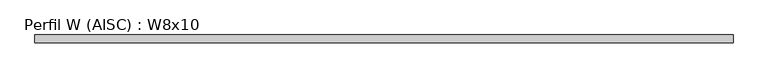
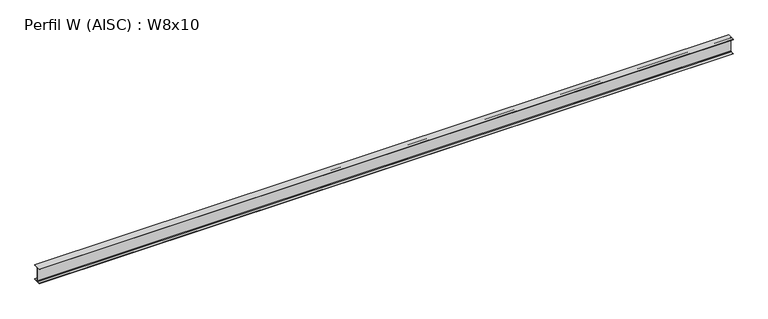
"""IFC4 building model written with IfcOpenShell, lengths in millimetres: beam geometry, Perfil W (AISC) : W8x10."""

from ifc_helpers import new_model, si_unit, point, frame, frame_2d, origin, place, context, project, spatial, polyline, circle_curve, trimmed, segment, composite_curve, outline, extrude, source, transform, mapped, element, save


def perfil_w_aisc_w8x10_ff596f19(model_context):
    return source(origin(), model_context, "Body", "SweptSolid", [
        extrude(outline(composite_curve([segment(polyline([(50.0, -94.79), (50.0, -100.0), (-50.0, -100.0), (-50.0, -94.79), (-9.75, -94.79)]), True, "CONTINUOUS"), segment(trimmed(circle_curve(frame_2d((-9.75, -87.2)), 7.59), [point((-9.75, -94.79))], [point((-2.16, -87.2))], True, "CARTESIAN"), True, "CONTINUOUS"), segment(polyline([(-2.16, -87.2), (-2.16, 87.2)]), True, "CONTINUOUS"), segment(trimmed(circle_curve(frame_2d((-9.75, 87.2)), 7.59), [point((-2.16, 87.2))], [point((-9.75, 94.79))], True, "CARTESIAN"), True, "CONTINUOUS"), segment(polyline([(-9.75, 94.79), (-50.0, 94.79), (-50.0, 100.0), (50.0, 100.0), (50.0, 94.79), (9.75, 94.79)]), True, "CONTINUOUS"), segment(trimmed(circle_curve(frame_2d((9.75, 87.2)), 7.59), [point((9.75, 94.79))], [point((2.16, 87.2))], True, "CARTESIAN"), True, "CONTINUOUS"), segment(polyline([(2.16, 87.2), (2.16, -87.2)]), True, "CONTINUOUS"), segment(trimmed(circle_curve(frame_2d((9.75, -87.2)), 7.59), [point((2.16, -87.2))], [point((9.75, -94.79))], True, "CARTESIAN"), True, "CONTINUOUS"), segment(polyline([(9.75, -94.79), (50.0, -94.79)]), True, "CONTINUOUS")], self_intersect=False)), frame((-4491.9, 0.0, 0.0), z_axis=(1.0, 0.0, 0.0), x_axis=(0.0, 1.0, 0.0)), (0.0, 0.0, 1.0), 8983.8),
    ])


if __name__ == "__main__":
    model = new_model("IFC4")
    model_context = context("Model", 3, world=origin())
    ifc_project = project(units=[si_unit("LENGTHUNIT", "METRE", prefix="MILLI")], contexts=[model_context])
    site = spatial("IfcSite", under=ifc_project)
    building = spatial("IfcBuilding", under=site)
    placement = place(None, origin())
    perfil_w_aisc_w8x10_shape = perfil_w_aisc_w8x10_ff596f19(model_context)
    element("IfcBeam", 1, ObjectType="Perfil W (AISC) : W8x10", at=placement, inside=building, context=model_context, shape_type="MappedRepresentation", body=[
        mapped(perfil_w_aisc_w8x10_shape, transform((0.0, 0.0, 0.0), x_axis=(1.0, 0.0, 0.0), y_axis=(0.0, 1.0, 0.0), z_axis=(0.0, 0.0, 1.0))),
    ])
    save(model, "model.ifc")
